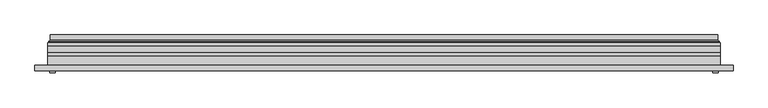
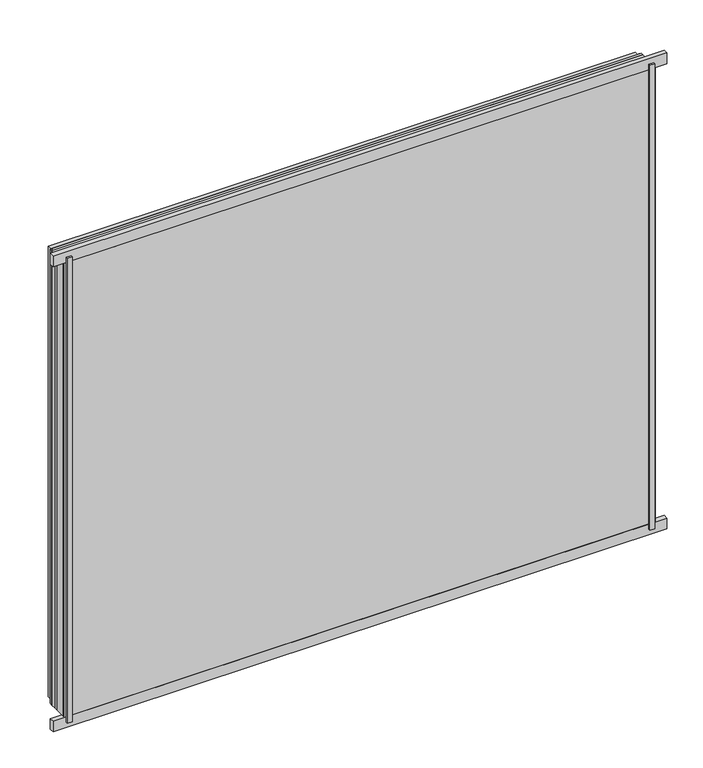
"""IFC4 building model written with IfcOpenShell, lengths in millimetres: plate geometry."""

from ifc_helpers import new_model, si_unit, frame, origin, origin_with_axes, place, context, project, spatial, polyline, ellipse_curve, outline, extrude, source, transform, mapped, element, save
from ifc_brep_helpers import plane_surface, cylinder_surface, revolved_surface, advanced_brep


def plate_54e6b3bf(model_context):
    return source(origin(), model_context, "Body", "SolidModel", [
        extrude(outline(polyline([(33.5, -579.0), (33.5, 579.0), (966.5, 579.0), (966.5, -579.0), (33.5, -579.0)]), holes=[polyline([(38.5, 574.0), (38.5, -574.0), (961.5, -574.0), (961.5, 574.0), (38.5, 574.0)])]), frame((0.0, 0.0, 0.0), z_axis=(0.0, 1.0, 0.0), x_axis=(0.0, 0.0, 1.0)), (0.0, 0.0, 1.0), 12.0),
        extrude(outline(polyline([(11.5, -601.0), (11.5, 601.0), (988.5, 601.0), (988.5, -601.0), (11.5, -601.0)]), holes=[polyline([(33.5, 579.0), (33.5, -579.0), (966.5, -579.0), (966.5, 579.0), (33.5, 579.0)])]), frame((0.0, -26.0, 0.0), z_axis=(0.0, 1.0, 0.0), x_axis=(0.0, 0.0, 1.0)), (0.0, 0.0, 1.0), 20.0),
        extrude(outline(polyline([(11.5, -601.0), (11.5, 601.0), (988.5, 601.0), (988.5, -601.0), (11.5, -601.0)]), holes=[polyline([(33.5, 579.0), (33.5, -579.0), (966.5, -579.0), (966.5, 579.0), (33.5, 579.0)])]), frame((0.0, -26.0, 0.0), z_axis=(0.0, 1.0, 0.0), x_axis=(0.0, 0.0, 1.0)), (0.0, 0.0, 1.0), 20.0),
        extrude(outline(polyline([(601.0, -6.0), (-601.0, -6.0), (-601.0, 0.0), (601.0, 0.0), (601.0, -6.0)])), frame((0.0, 0.0, 11.5), z_axis=(0.0, 0.0, 1.0), x_axis=(1.0, 0.0, 0.0)), (0.0, 0.0, 1.0), 977.0),
        extrude(outline(polyline([(587.5, -32.0), (597.5, -32.0), (597.5, -36.0), (587.5, -36.0), (587.5, -32.0)])), origin_with_axes(), (0.0, 0.0, 1.0), 1000.0),
        extrude(outline(polyline([(-587.5, -32.0), (-587.5, -36.0), (-597.5, -36.0), (-597.5, -32.0), (-587.5, -32.0)])), origin_with_axes(), (0.0, 0.0, 1.0), 1000.0),
        extrude(outline(polyline([(624.0, -32.0), (-624.0, -32.0), (-624.0, -22.51), (624.0, -22.51), (624.0, -32.0)])), frame((0.0, 0.0, -11.5), z_axis=(0.0, 0.0, 1.0), x_axis=(1.0, 0.0, 0.0)), (0.0, 0.0, 1.0), 23.0),
        extrude(outline(polyline([(624.0, -32.0), (-624.0, -32.0), (-624.0, -22.51), (624.0, -22.51), (624.0, -32.0)])), frame((0.0, 0.0, 988.5), z_axis=(0.0, 0.0, 1.0), x_axis=(1.0, 0.0, 0.0)), (0.0, 0.0, 1.0), 23.0),
        extrude(outline(polyline([(11.5, -601.0), (11.5, 601.0), (988.5, 601.0), (988.5, -601.0), (11.5, -601.0)]), holes=[polyline([(33.5, 579.0), (33.5, -579.0), (966.5, -579.0), (966.5, 579.0), (33.5, 579.0)])]), frame((0.0, 0.0, 0.0), z_axis=(0.0, 1.0, 0.0), x_axis=(0.0, 0.0, 1.0)), (0.0, 0.0, 1.0), 12.0),
        extrude(outline(polyline([(33.5, -579.0), (33.5, 579.0), (966.5, 579.0), (966.5, -579.0), (33.5, -579.0)]), holes=[polyline([(38.5, 574.0), (38.5, -574.0), (961.5, -574.0), (961.5, 574.0), (38.5, 574.0)])]), frame((0.0, -26.0, 0.0), z_axis=(0.0, 1.0, 0.0), x_axis=(0.0, 0.0, 1.0)), (0.0, 0.0, 1.0), 20.0),
        extrude(outline(polyline([(601.0, 18.0), (601.0, 12.0), (-601.0, 12.0), (-601.0, 18.0), (601.0, 18.0)])), frame((0.0, 0.0, 11.5), z_axis=(0.0, 0.0, 1.0), x_axis=(1.0, 0.0, 0.0)), (0.0, 0.0, 1.0), 977.0),
        extrude(outline(polyline([(-601.0, -32.0), (-601.0, -26.0), (601.0, -26.0), (601.0, -32.0), (-601.0, -32.0)])), frame((0.0, 0.0, 11.5), z_axis=(0.0, 0.0, 1.0), x_axis=(1.0, 0.0, 0.0)), (0.0, 0.0, 1.0), 977.0),
        advanced_brep(
        [(587.5000103, 32.0, 24.9999897), (-587.5000103, 32.0, 24.9999897), (-587.5000103, 21.9110895, 24.9999897), (587.5000103, 21.9110895, 24.9999897), (596.4986527, 23.3044663, 16.0013474), (-596.4986527, 23.3044663, 16.0013474), (-596.4986527, 32.0, 16.0013474), (596.4986527, 32.0, 16.0013474), (598.1689728, 20.9442833, 14.3310273), (-598.1689728, 20.9442833, 14.3310273), (597.7544044, 18.0034569, 14.7455956), (-597.7544044, 18.0034569, 14.7455956), (586.5620949, 20.2163959, 25.9379052), (-586.5620949, 20.2163959, 25.9379052), (-587.1992268, 18.0000006, 25.3007732), (587.1992268, 18.0000006, 25.3007732), (-587.5000103, 32.0, 975.0000103), (-587.5000103, 21.9110895, 975.0000103), (-596.4986527, 23.3044663, 983.9986526), (-596.4986527, 32.0, 983.9986526), (-598.1689728, 20.9442833, 985.6689727), (-597.7544044, 18.0034569, 985.2544044), (-586.5620949, 20.2163959, 974.0620948), (-587.1992268, 18.0000006, 974.6992268), (587.5000103, 32.0, 975.0000103), (587.5000103, 21.9110895, 975.0000103), (596.4986527, 23.3044663, 983.9986526), (596.4986527, 32.0, 983.9986526), (598.1689728, 20.9442833, 985.6689727), (597.7544044, 18.0034569, 985.2544044), (586.5620949, 20.2163959, 974.0620948), (587.1992268, 18.0000006, 974.6992268)],
        [
            (0, 1),
            (1, 2),
            (2, 3),
            (3, 0),
            (4, 5),
            (5, 6),
            (6, 7),
            (7, 4),
            (8, 9),
            (9, 5, ellipse_curve(frame((-598.8086832, 23.1681522, 13.6913168), z_axis=(-0.7071067811865475, 0.0, 0.7071067811865475), x_axis=(-0.7071067811865476, 0.0, -0.7071067811865474)), 3.2725594, 2.314049)),
            (4, 8, ellipse_curve(frame((598.8086832, 23.1681522, 13.6913168), z_axis=(0.7071067811865475, 0.0, 0.7071067811865475), x_axis=(-0.7071067811865476, 0.0, 0.7071067811865474)), 3.2725594, 2.314049)),
            (10, 11),
            (11, 9, ellipse_curve(frame((-597.7544044, 19.5030909, 14.7455956), z_axis=(0.7071067811865475, 0.0, -0.7071067811865475), x_axis=(0.7071067811865476, 0.0, 0.7071067811865474)), 2.1208028, 1.4996341)),
            (8, 10, ellipse_curve(frame((597.7544044, 19.5030909, 14.7455956), z_axis=(-0.7071067811865475, 0.0, -0.7071067811865475), x_axis=(0.7071067811865476, 0.0, -0.7071067811865474)), 2.1208028, 1.4996341)),
            (12, 13),
            (13, 14, ellipse_curve(frame((-587.1992268, 19.1997743, 25.3007732), z_axis=(0.7071067811865475, 0.0, -0.7071067811865475), x_axis=(0.7071067811865476, 0.0, 0.7071067811865474)), 1.6967361, 1.1997736)),
            (14, 15),
            (15, 12, ellipse_curve(frame((587.1992268, 19.1997743, 25.3007732), z_axis=(-0.7071067811865475, 0.0, -0.7071067811865475), x_axis=(0.7071067811865476, 0.0, -0.7071067811865474)), 1.6967361, 1.1997736)),
            (2, 13, ellipse_curve(frame((-585.5000051, 21.9110895, 26.9999949), z_axis=(-0.7071067811865475, 0.0, 0.7071067811865475), x_axis=(-0.7071067811865476, 0.0, -0.7071067811865474)), 2.8284345, 2.0000052)),
            (12, 3, ellipse_curve(frame((585.5000051, 21.9110895, 26.9999949), z_axis=(0.7071067811865475, 0.0, 0.7071067811865475), x_axis=(-0.7071067811865476, 0.0, 0.7071067811865474)), 2.8284345, 2.0000052)),
            (1, 16),
            (16, 17),
            (17, 2),
            (5, 18),
            (18, 19),
            (19, 6),
            (9, 20),
            (20, 18, ellipse_curve(frame((-598.8086832, 23.1681522, 986.3086832), z_axis=(0.7071067811865475, 0.0, 0.7071067811865475), x_axis=(-0.7071067811865474, 0.0, 0.7071067811865476)), 3.2725594, 2.314049)),
            (11, 21),
            (21, 20, ellipse_curve(frame((-597.7544044, 19.5030909, 985.2544044), z_axis=(-0.7071067811865475, 0.0, -0.7071067811865475), x_axis=(0.7071067811865474, 0.0, -0.7071067811865476)), 2.1208028, 1.4996341)),
            (13, 22),
            (22, 23, ellipse_curve(frame((-587.1992268, 19.1997743, 974.6992268), z_axis=(-0.7071067811865475, 0.0, -0.7071067811865475), x_axis=(0.7071067811865474, 0.0, -0.7071067811865476)), 1.6967361, 1.1997736)),
            (23, 14),
            (17, 22, ellipse_curve(frame((-585.5000051, 21.9110895, 973.0000051), z_axis=(0.7071067811865475, 0.0, 0.7071067811865475), x_axis=(-0.7071067811865474, 0.0, 0.7071067811865476)), 2.8284345, 2.0000052)),
            (16, 24),
            (24, 25),
            (25, 17),
            (18, 26),
            (26, 27),
            (27, 19),
            (20, 28),
            (28, 26, ellipse_curve(frame((598.8086832, 23.1681522, 986.3086832), z_axis=(0.7071067811865475, 0.0, -0.7071067811865475), x_axis=(0.7071067811865476, 0.0, 0.7071067811865474)), 3.2725594, 2.314049)),
            (21, 29),
            (29, 28, ellipse_curve(frame((597.7544044, 19.5030909, 985.2544044), z_axis=(-0.7071067811865475, 0.0, 0.7071067811865475), x_axis=(-0.7071067811865476, 0.0, -0.7071067811865474)), 2.1208028, 1.4996341)),
            (22, 30),
            (30, 31, ellipse_curve(frame((587.1992268, 19.1997743, 974.6992268), z_axis=(-0.7071067811865475, 0.0, 0.7071067811865475), x_axis=(-0.7071067811865476, 0.0, -0.7071067811865474)), 1.6967361, 1.1997736)),
            (31, 23),
            (25, 30, ellipse_curve(frame((585.5000051, 21.9110895, 973.0000051), z_axis=(0.7071067811865475, 0.0, -0.7071067811865475), x_axis=(0.7071067811865476, 0.0, 0.7071067811865474)), 2.8284345, 2.0000052)),
            (24, 0),
            (3, 25),
            (26, 4),
            (7, 27),
            (28, 8),
            (29, 10),
            (31, 15),
            (30, 12),
        ],
        [
            plane_surface(frame((587.5000103, 21.9110895, 24.9999897), z_axis=(0.0, 0.0, 1.0), x_axis=(-1.0, 0.0, 0.0))),
            plane_surface(frame((596.4986527, 32.0, 16.0013474), z_axis=(0.0, 0.0, -1.0), x_axis=(-1.0, 0.0, 0.0))),
            revolved_surface(polyline([(-601.1227321435756, 25.482201200000002, 13.6913168), (601.1227321435758, 25.482201200000002, 13.6913168)]), (587.5, 23.1681522, 13.6913168), (-1.0, 0.0, 0.0)),
            cylinder_surface(frame((587.5, 19.5030909, 14.7455956), z_axis=(1.0, 0.0, 0.0), x_axis=(0.0, 1.0, 0.0)), 1.4996341),
            cylinder_surface(frame((587.5, 19.1997743, 25.3007732), z_axis=(1.0, 0.0, 0.0), x_axis=(0.0, 1.0, 0.0)), 1.1997736),
            revolved_surface(polyline([(-587.5000103150919, 23.9110947, 26.9999949), (587.5000103150919, 23.9110947, 26.9999949)]), (587.5, 21.9110895, 26.9999949), (-1.0, 0.0, 0.0)),
            plane_surface(frame((-587.5000103, 21.9110895, 24.9999897), z_axis=(1.0, 0.0, 0.0), x_axis=(0.0, 0.0, 1.0))),
            plane_surface(frame((-596.4986527, 32.0, 16.0013474), z_axis=(-1.0, 0.0, 0.0), x_axis=(0.0, 0.0, 1.0))),
            revolved_surface(polyline([(-598.8086832, 25.482201200000002, 988.6227321435758), (-598.8086832, 25.482201200000002, 11.37726785642422)]), (-598.8086832, 23.1681522, 25.0), (0.0, 0.0, 1.0)),
            cylinder_surface(frame((-597.7544044, 19.5030909, 25.0), z_axis=(0.0, 0.0, -1.0), x_axis=(0.0, 1.0, 0.0)), 1.4996341),
            cylinder_surface(frame((-587.1992268, 19.1997743, 25.0), z_axis=(0.0, 0.0, -1.0), x_axis=(0.0, 1.0, 0.0)), 1.1997736),
            revolved_surface(polyline([(-585.5000051, 23.9110947, 975.0000103150919), (-585.5000051, 23.9110947, 24.99998968490802)]), (-585.5000051, 21.9110895, 25.0), (0.0, 0.0, 1.0)),
            plane_surface(frame((-587.5000103, 21.9110895, 975.0000103), z_axis=(0.0, 0.0, -1.0), x_axis=(1.0, 0.0, 0.0))),
            plane_surface(frame((-596.4986527, 32.0, 983.9986526), z_axis=(0.0, 0.0, 1.0), x_axis=(1.0, 0.0, 0.0))),
            revolved_surface(polyline([(601.1227321435756, 25.482201200000002, 986.3086832), (-601.1227321435758, 25.482201200000002, 986.3086832)]), (-587.5, 23.1681522, 986.3086832), (1.0, 0.0, 0.0)),
            cylinder_surface(frame((-587.5, 19.5030909, 985.2544044), z_axis=(-1.0, 0.0, 0.0), x_axis=(0.0, 1.0, 0.0)), 1.4996341),
            cylinder_surface(frame((-587.5, 19.1997743, 974.6992268), z_axis=(-1.0, 0.0, 0.0), x_axis=(0.0, 1.0, 0.0)), 1.1997736),
            revolved_surface(polyline([(587.5000103150919, 23.9110947, 973.0000051), (-587.5000103150919, 23.9110947, 973.0000051)]), (-587.5, 21.9110895, 973.0000051), (1.0, 0.0, 0.0)),
            plane_surface(frame((587.5000103, 21.9110895, 975.0000103), z_axis=(-1.0, 0.0, 0.0), x_axis=(0.0, 0.0, -1.0))),
            plane_surface(frame((596.4986527, 32.0, 983.9986526), z_axis=(1.0, 0.0, 0.0), x_axis=(0.0, 0.0, -1.0))),
            revolved_surface(polyline([(598.8086832, 25.482201200000002, 11.377267856424169), (598.8086832, 25.482201200000002, 988.6227321435758)]), (598.8086832, 23.1681522, 975.0), (0.0, 0.0, -1.0)),
            cylinder_surface(frame((597.7544044, 19.5030909, 975.0), z_axis=(0.0, 0.0, 1.0), x_axis=(0.0, 1.0, 0.0)), 1.4996341),
            plane_surface(frame((597.7544044, 18.0000006, 985.2544044), z_axis=(0.0, -1.0, 0.0), x_axis=(0.0, 0.0, -1.0))),
            cylinder_surface(frame((587.1992268, 19.1997743, 975.0), z_axis=(0.0, 0.0, 1.0), x_axis=(0.0, 1.0, 0.0)), 1.1997736),
            revolved_surface(polyline([(585.5000051, 23.9110947, 24.999989684908087), (585.5000051, 23.9110947, 975.0000103150919)]), (585.5000051, 21.9110895, 975.0), (0.0, 0.0, -1.0)),
            plane_surface(frame((587.5000103, 32.0, 975.0000103), z_axis=(0.0, 1.0, 0.0), x_axis=(0.0, 0.0, -1.0))),
        ],
        [
            (0, [[1, 2, 3, 4]]),
            (1, [[5, 6, 7, 8]]),
            (2, [[9, 10, -5, 11]]),
            (3, [[12, 13, -9, 14]]),
            (4, [[15, 16, 17, 18]]),
            (5, [[-3, 19, -15, 20]]),
            (6, [[21, 22, 23, -2]]),
            (7, [[24, 25, 26, -6]]),
            (8, [[27, 28, -24, -10]]),
            (9, [[29, 30, -27, -13]]),
            (10, [[31, 32, 33, -16]]),
            (11, [[-23, 34, -31, -19]]),
            (12, [[35, 36, 37, -22]]),
            (13, [[38, 39, 40, -25]]),
            (14, [[41, 42, -38, -28]]),
            (15, [[43, 44, -41, -30]]),
            (16, [[45, 46, 47, -32]]),
            (17, [[-37, 48, -45, -34]]),
            (18, [[49, -4, 50, -36]]),
            (19, [[51, -8, 52, -39]]),
            (20, [[53, -11, -51, -42]]),
            (21, [[54, -14, -53, -44]]),
            (22, [[-12, -54, -43, -29], [-17, -33, -47, 55]]),
            (23, [[56, -18, -55, -46]]),
            (24, [[-50, -20, -56, -48]]),
            (25, [[-7, -26, -40, -52], [-1, -49, -35, -21]]),
        ],
    ),
    ])


if __name__ == "__main__":
    model = new_model("IFC4")
    model_context = context("Model", 3, world=origin())
    ifc_project = project(units=[si_unit("LENGTHUNIT", "METRE", prefix="MILLI")], contexts=[model_context])
    site = spatial("IfcSite", under=ifc_project)
    building = spatial("IfcBuilding", under=site)
    placement = place(None, origin())
    plate_shape = plate_54e6b3bf(model_context)
    element("IfcPlate", 1, at=placement, inside=building, context=model_context, shape_type="MappedRepresentation", body=[
        mapped(plate_shape, transform((0.0, 0.0, 0.0), x_axis=(1.0, 0.0, 0.0), y_axis=(0.0, 1.0, 0.0), z_axis=(0.0, 0.0, 1.0))),
    ])
    save(model, "model.ifc")
